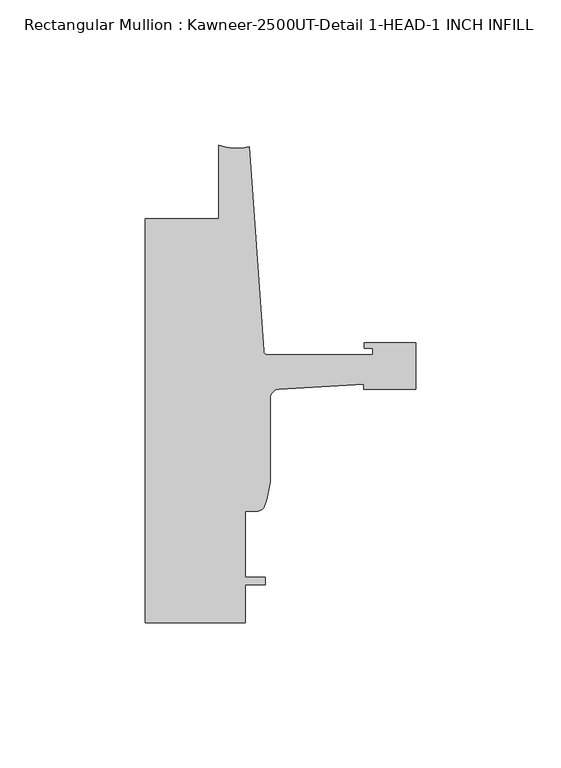
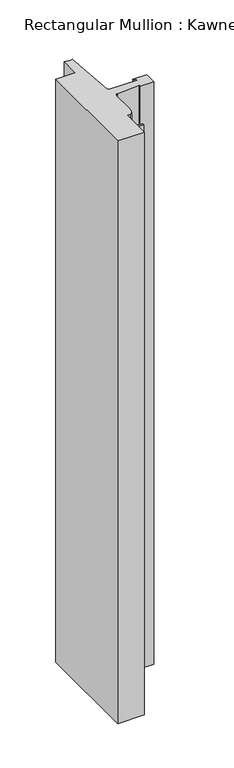
"""IFC4 building model written with IfcOpenShell, lengths in millimetres: member geometry, Rectangular Mullion : Kawneer-2500UT-Detail 1-HEAD-1 INCH INFILL."""

from ifc_helpers import new_model, si_unit, point, frame, frame_2d, origin, place, context, project, spatial, polyline, circle_curve, trimmed, segment, composite_curve, outline, extrude, source, transform, mapped, element, save


def rectangular_mullion_kawneer_2500ut_detail_1_head_1_inch_068cf975(model_context):
    return source(origin(), model_context, "Body", "SweptSolid", [
        extrude(outline(composite_curve([segment(polyline([(-17.9118541, -82.4047673), (-47.0897067, -84.1438176)]), True, "CONTINUOUS"), segment(trimmed(circle_curve(frame_2d((-46.9265, -87.3146201)), 3.175), [point((-47.0897067, -84.1438176))], [point((-50.1015, -87.3146201))], True, "CARTESIAN"), True, "CONTINUOUS"), segment(polyline([(-50.1015, -87.3146201), (-50.1015, -116.0261074), (-51.2667352, -122.020723), (-51.8795003, -123.6081953)]), True, "CONTINUOUS"), segment(trimmed(circle_curve(frame_2d((-54.4195002, -123.6081953)), 2.5399999), [point((-51.8795003, -123.6081953))], [point((-54.4195002, -126.1481952))], False, "CARTESIAN"), True, "CONTINUOUS"), segment(polyline([(-54.4195002, -126.1481952), (-58.7375, -126.1481952), (-58.7375, -149.0081952), (-51.8795003, -149.0081952), (-51.8795003, -151.5481952), (-58.7375, -151.5481952), (-58.7375, -164.5919944), (-93.2286109, -164.5919944), (-93.2286109, -25.4004469), (-67.8287241, -25.4004469), (-67.8287241, 5.6e-06)]), True, "CONTINUOUS"), segment(trimmed(circle_curve(frame_2d((-61.5737839, 15.5330855)), 16.7451739), [point((-67.8287241, 5.6e-06))], [point((-57.2987828, -0.657196))], True, "CARTESIAN"), True, "CONTINUOUS"), segment(polyline([(-57.2987828, -0.657196), (-52.3871824, -70.8961036)]), True, "CONTINUOUS"), segment(trimmed(circle_curve(frame_2d((-50.8668948, -70.7897944)), 1.524), [point((-52.3871824, -70.8961036))], [point((-50.8668948, -72.3137944))], True, "CARTESIAN"), True, "CONTINUOUS"), segment(polyline([(-50.8668948, -72.3137944), (-14.783487, -72.3137944), (-14.783487, -69.9769943), (-17.6377748, -69.9769943), (-17.6377748, -68.1989943), (0.0, -68.1989943), (0.0, -84.2009942), (-17.9118541, -84.2009942), (-17.9118541, -82.4047673)]), True, "CONTINUOUS")], self_intersect=False)), frame((0.0, 0.0, -799.8831251), z_axis=(0.0, 0.0, 1.0), x_axis=(1.0, 0.0, 0.0)), (0.0, 0.0, 1.0), 799.8831251),
    ])


if __name__ == "__main__":
    model = new_model("IFC4")
    model_context = context("Model", 3, world=origin())
    ifc_project = project(units=[si_unit("LENGTHUNIT", "METRE", prefix="MILLI")], contexts=[model_context])
    site = spatial("IfcSite", under=ifc_project)
    building = spatial("IfcBuilding", under=site)
    placement = place(None, origin())
    rectangular_mullion_kawneer_2500ut_detail_1_head_1_inch_shape = rectangular_mullion_kawneer_2500ut_detail_1_head_1_inch_068cf975(model_context)
    element("IfcMember", 1, ObjectType="Rectangular Mullion : Kawneer-2500UT-Detail 1-HEAD-1 INCH INFILL", at=placement, inside=building, context=model_context, shape_type="MappedRepresentation", body=[
        mapped(rectangular_mullion_kawneer_2500ut_detail_1_head_1_inch_shape, transform((0.0, 0.0, 0.0), x_axis=(1.0, 0.0, 0.0), y_axis=(0.0, 1.0, 0.0), z_axis=(0.0, 0.0, 1.0))),
    ])
    save(model, "model.ifc")
